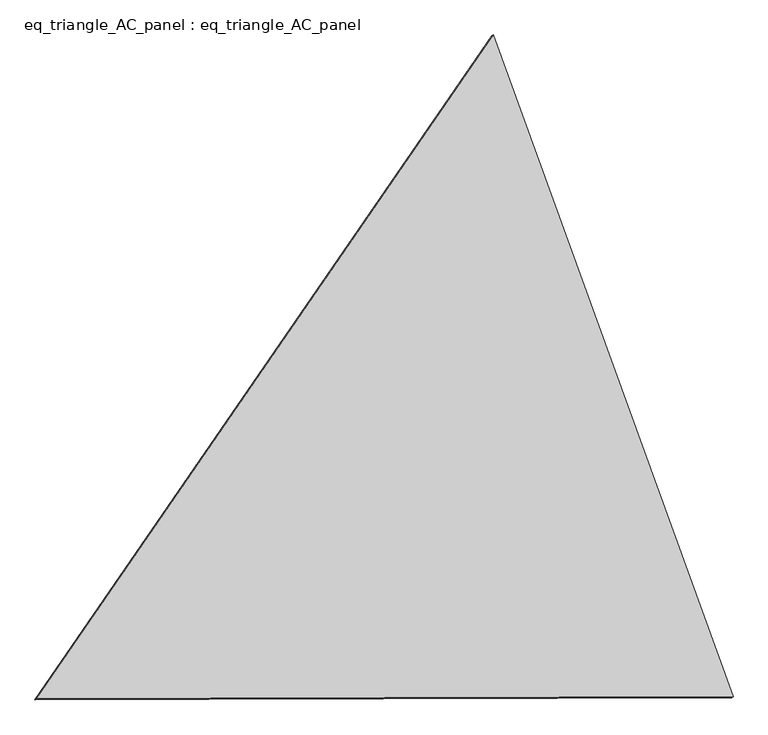
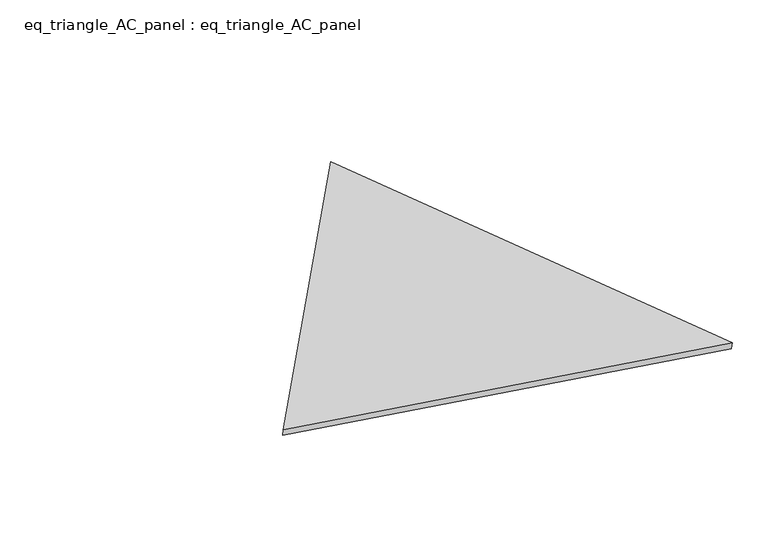
"""IFC4 building model written with IfcOpenShell, lengths in millimetres: proxy geometry, eq_triangle_AC_panel : eq_triangle_AC_panel."""

from ifc_helpers import new_model, si_unit, frame, origin, place, context, project, spatial, polyline, outline, extrude, source, transform, mapped, element, save


def eq_triangle_ac_panel_eq_triangle_ac_panel_a34fe4e5(model_context):
    return source(origin(), model_context, "Body", "SweptSolid", [
        extrude(outline(polyline([(-1940.6451851, 1096.9498862), (1545.5582898, 1096.9498862), (395.0868951, -2193.8997722), (-1940.6451851, 1096.9498862)])), frame((0.0038051, 527.9290861, 89.8240019), z_axis=(0.14526328518058185, 0.08386570281802186, 0.9858321976225896), x_axis=(0.3407734768185193, -0.9396753767571815, 0.029725810556942647)), (0.0, 0.0, 1.0), 43.8306294),
    ])


if __name__ == "__main__":
    model = new_model("IFC4")
    model_context = context("Model", 3, world=origin())
    ifc_project = project(units=[si_unit("LENGTHUNIT", "METRE", prefix="MILLI")], contexts=[model_context])
    site = spatial("IfcSite", under=ifc_project)
    building = spatial("IfcBuilding", under=site)
    placement = place(None, origin())
    eq_triangle_ac_panel_eq_triangle_ac_panel_shape = eq_triangle_ac_panel_eq_triangle_ac_panel_a34fe4e5(model_context)
    element("IfcBuildingElementProxy", 1, Name="eq_triangle_AC_panel : eq_triangle_AC_panel", ObjectType="eq_triangle_AC_panel : eq_triangle_AC_panel", at=placement, inside=building, context=model_context, shape_type="MappedRepresentation", body=[
        mapped(eq_triangle_ac_panel_eq_triangle_ac_panel_shape, transform((0.0, 0.0, 0.0), x_axis=(1.0, 0.0, 0.0), y_axis=(0.0, 1.0, 0.0), z_axis=(0.0, 0.0, 1.0))),
    ])
    save(model, "model.ifc")
